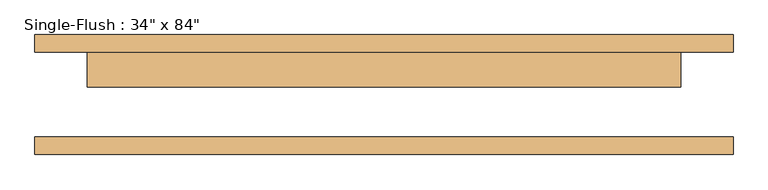
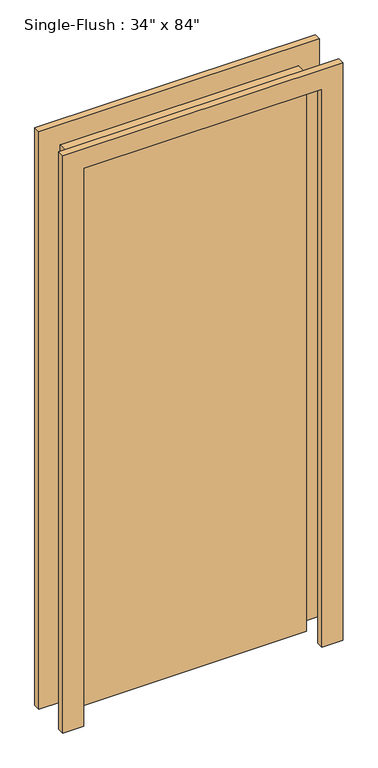
"""IFC4 building model written with IfcOpenShell, lengths in millimetres: door geometry."""

from ifc_helpers import new_model, si_unit, frame, origin, origin_with_axes, place, context, project, spatial, polyline, outline, extrude, source, transform, mapped, element, save


def door_7c9e1b45(model_context):
    return source(origin(), model_context, "Body", "SweptSolid", [
        extrude(outline(polyline([(2209.8, -508.0), (0.0, -508.0), (0.0, -431.8), (2133.6, -431.8), (2133.6, 431.8), (0.0, 431.8), (0.0, 508.0), (2209.8, 508.0), (2209.8, -508.0)])), frame((0.0, 61.9125, 0.0), z_axis=(0.0, 1.0, 0.0), x_axis=(0.0, 0.0, 1.0)), (0.0, 0.0, 1.0), 25.4),
        extrude(outline(polyline([(2209.8, 508.0), (2209.8, -508.0), (0.0, -508.0), (0.0, -431.8), (2133.6, -431.8), (2133.6, 431.8), (0.0, 431.8), (0.0, 508.0), (2209.8, 508.0)])), frame((0.0, -87.3125, 0.0), z_axis=(0.0, 1.0, 0.0), x_axis=(0.0, 0.0, 1.0)), (0.0, 0.0, 1.0), 25.4),
        extrude(outline(polyline([(431.8, 11.1125), (-431.8, 11.1125), (-431.8, 61.9125), (431.8, 61.9125), (431.8, 11.1125)])), origin_with_axes(), (0.0, 0.0, 1.0), 2133.6),
    ])


if __name__ == "__main__":
    model = new_model("IFC4")
    model_context = context("Model", 3, world=origin())
    ifc_project = project(units=[si_unit("LENGTHUNIT", "METRE", prefix="MILLI")], contexts=[model_context])
    site = spatial("IfcSite", under=ifc_project)
    building = spatial("IfcBuilding", under=site)
    placement = place(None, origin())
    door_shape = door_7c9e1b45(model_context)
    element("IfcDoor", 1, ObjectType="Single-Flush : 34\" x 84\"", at=placement, inside=building, context=model_context, shape_type="MappedRepresentation", body=[
        mapped(door_shape, transform((0.0, 0.0, 0.0), x_axis=(1.0, 0.0, 0.0), y_axis=(0.0, 1.0, 0.0), z_axis=(0.0, 0.0, 1.0))),
    ])
    save(model, "model.ifc")
